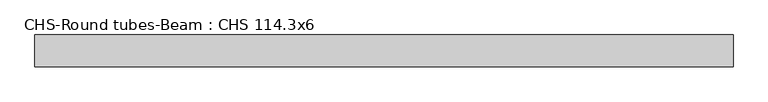
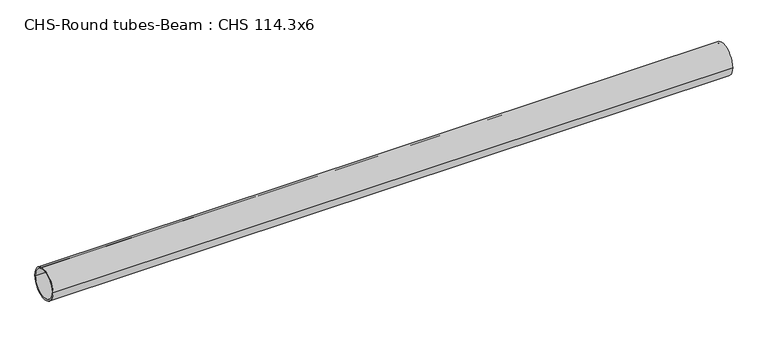
"""IFC4 building model written with IfcOpenShell, lengths in millimetres: beam geometry, CHS-Round tubes-Beam : CHS 114.3x6."""

from ifc_helpers import new_model, si_unit, point, frame, origin, origin_2d, place, context, project, spatial, circle_curve, trimmed, segment, composite_curve, outline, extrude, source, transform, mapped, element, save


def chs_round_tubes_beam_chs_114_3x6_db10df5d(model_context):
    return source(origin(), model_context, "Body", "SweptSolid", [
        extrude(outline(composite_curve([segment(trimmed(circle_curve(origin_2d(), 57.15), [point((57.15, 0.0))], [point((-57.15, 0.0))], False, "CARTESIAN"), True, "CONTINUOUS"), segment(trimmed(circle_curve(origin_2d(), 57.15), [point((-57.15, 0.0))], [point((57.15, 0.0))], False, "CARTESIAN"), True, "CONTINUOUS")], self_intersect=False), holes=[composite_curve([segment(trimmed(circle_curve(origin_2d(), 51.15), [point((51.15, 0.0))], [point((-51.15, 0.0))], True, "CARTESIAN"), True, "CONTINUOUS"), segment(trimmed(circle_curve(origin_2d(), 51.15), [point((-51.15, 0.0))], [point((51.15, 0.0))], True, "CARTESIAN"), True, "CONTINUOUS")], self_intersect=False)]), frame((-1191.5514557, 0.0, 0.0), z_axis=(1.0, 0.0, 0.0), x_axis=(0.0, 1.0, 0.0)), (0.0, 0.0, 1.0), 2488.0678946),
    ])


if __name__ == "__main__":
    model = new_model("IFC4")
    model_context = context("Model", 3, world=origin())
    ifc_project = project(units=[si_unit("LENGTHUNIT", "METRE", prefix="MILLI")], contexts=[model_context])
    site = spatial("IfcSite", under=ifc_project)
    building = spatial("IfcBuilding", under=site)
    placement = place(None, origin())
    chs_round_tubes_beam_chs_114_3x6_shape = chs_round_tubes_beam_chs_114_3x6_db10df5d(model_context)
    element("IfcBeam", 1, ObjectType="CHS-Round tubes-Beam : CHS 114.3x6", at=placement, inside=building, context=model_context, shape_type="MappedRepresentation", body=[
        mapped(chs_round_tubes_beam_chs_114_3x6_shape, transform((0.0, 0.0, 0.0), x_axis=(1.0, 0.0, 0.0), y_axis=(0.0, 1.0, 0.0), z_axis=(0.0, 0.0, 1.0))),
    ])
    save(model, "model.ifc")
